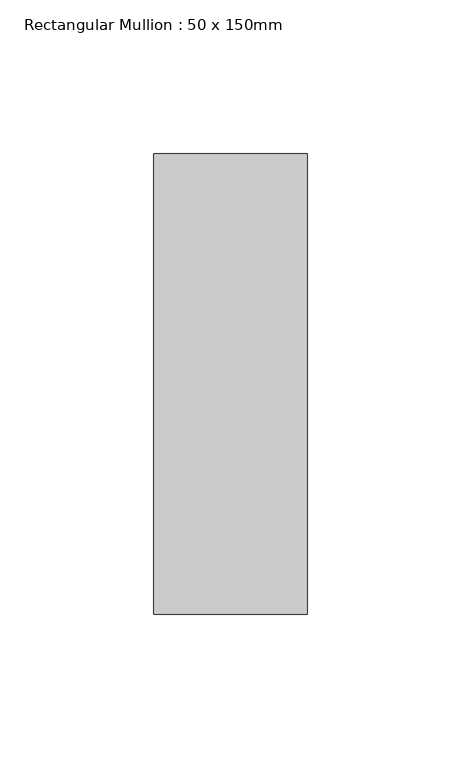
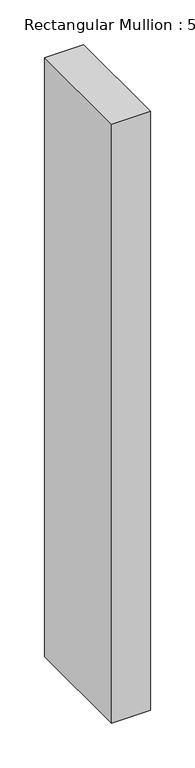
"""IFC4 building model written with IfcOpenShell, lengths in millimetres: member geometry, Rectangular Mullion : 50 x 150mm."""

from ifc_helpers import new_model, si_unit, frame, origin, place, context, project, spatial, polyline, outline, extrude, source, transform, mapped, element, save


def rectangular_mullion_50_x_150mm_d8caf910(model_context):
    return source(origin(), model_context, "Body", "SweptSolid", [
        extrude(outline(polyline([(25.0, 75.0), (25.0, -75.0), (-25.0, -75.0), (-25.0, 75.0), (25.0, 75.0)])), frame((0.0, 0.0, -816.6666667), z_axis=(0.0, 0.0, 1.0), x_axis=(1.0, 0.0, 0.0)), (0.0, 0.0, 1.0), 816.6666667),
    ])


if __name__ == "__main__":
    model = new_model("IFC4")
    model_context = context("Model", 3, world=origin())
    ifc_project = project(units=[si_unit("LENGTHUNIT", "METRE", prefix="MILLI")], contexts=[model_context])
    site = spatial("IfcSite", under=ifc_project)
    building = spatial("IfcBuilding", under=site)
    placement = place(None, origin())
    rectangular_mullion_50_x_150mm_shape = rectangular_mullion_50_x_150mm_d8caf910(model_context)
    element("IfcMember", 1, ObjectType="Rectangular Mullion : 50 x 150mm", at=placement, inside=building, context=model_context, shape_type="MappedRepresentation", body=[
        mapped(rectangular_mullion_50_x_150mm_shape, transform((0.0, 0.0, 0.0), x_axis=(1.0, 0.0, 0.0), y_axis=(0.0, 1.0, 0.0), z_axis=(0.0, 0.0, 1.0))),
    ])
    save(model, "model.ifc")
